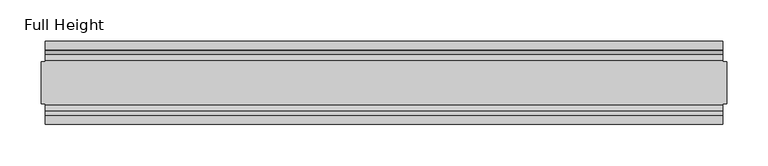
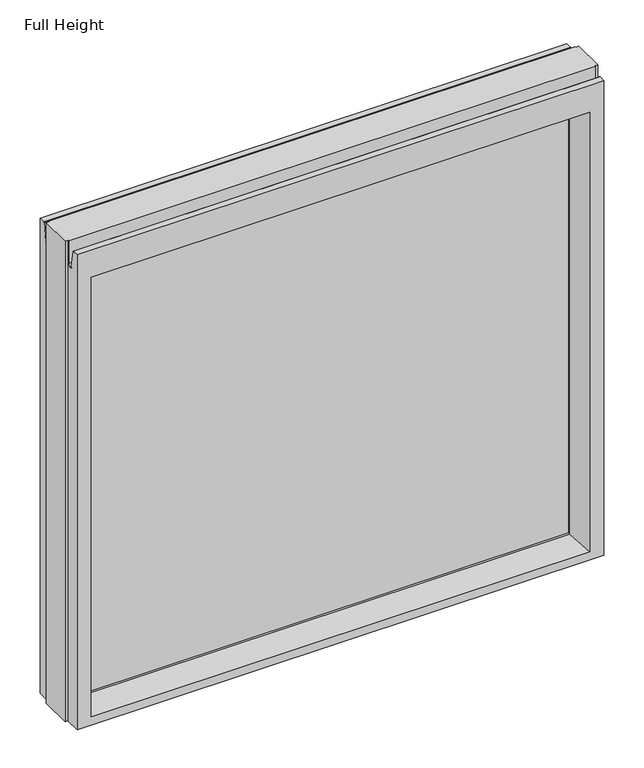
"""IFC4 building model written with IfcOpenShell, lengths in millimetres: plate geometry, Full Height."""

from ifc_helpers import new_model, si_unit, frame, origin, place, context, project, spatial, polyline, circle_curve, outline, extrude, source, transform, mapped, element, save
from ifc_brep_helpers import plane_surface, cylinder_surface, revolved_surface, advanced_brep


def full_height_0f34fd0c(model_context):
    return source(origin(), model_context, "Body", "SolidModel", [
        advanced_brep(
        [(409.4987433, -50.0, 0.0), (-409.4987433, -50.0, 0.0), (-409.4987433, -25.146, 0.0), (-414.0707433, -25.146, 0.0), (-414.0707433, 25.146, 0.0), (-409.4987433, 25.146, 0.0), (-409.4987433, 50.0, 0.0), (409.4987433, 50.0, 0.0), (409.4987433, 25.146, 0.0), (414.0707433, 25.146, 0.0), (414.0707433, -25.146, 0.0), (409.4987433, -25.146, 0.0), (414.0707433, -25.146, 789.94), (414.0707433, 25.146, 789.94), (409.4987433, 25.146, 789.94), (409.4987433, 26.67, 789.94), (-409.4987433, 26.67, 789.94), (-409.4987433, 25.146, 789.94), (-414.0707433, 25.146, 789.94), (-414.0707433, -25.146, 789.94), (-409.4987433, -25.146, 789.94), (-409.4987433, -26.67, 789.94), (409.4987433, -26.67, 789.94), (409.4987433, -25.146, 789.94), (-409.4987433, -26.67, 752.729), (409.4987433, -26.67, 752.729), (-409.4987433, 26.67, 752.729), (-409.4987433, 34.2321175, 752.0674004), (-409.4987433, 39.1867152, 780.1663199), (-409.4987433, 39.9371387, 780.796), (-409.4987433, 50.0, 780.796), (-409.4987433, -50.0, 780.796), (-409.4987433, -39.9371387, 780.796), (-409.4987433, -39.1867152, 780.1663199), (-409.4987433, -34.2321175, 752.0674004), (409.4987433, 50.0, 780.796), (-387.4007433, 50.0, 736.219), (-387.4007433, 50.0, 13.9954), (387.4007433, 50.0, 13.9954), (387.4007433, 50.0, 736.219), (409.4987433, -50.0, 780.796), (-387.4007433, -50.0, 13.9954), (-387.4007433, -50.0, 736.219), (387.4007433, -50.0, 736.219), (387.4007433, -50.0, 13.9954), (-381.4317433, 6.1006519, 730.25), (-381.4317433, 6.1006519, 18.3896), (-381.4317433, -6.1006519, 18.3896), (-381.4317433, -6.1006519, 730.25), (381.4317433, -6.1006519, 730.25), (381.4317433, -6.1006519, 18.3896), (381.4317433, 6.1006519, 730.25), (381.4317433, 6.1006519, 18.3896), (409.4987433, -34.2321175, 752.0674004), (409.4987433, -39.1867152, 780.1663199), (409.4987433, -39.9371387, 780.796), (409.4987433, 39.9371387, 780.796), (409.4987433, 39.1867152, 780.1663199), (409.4987433, 34.2321175, 752.0674004), (409.4987433, 26.67, 752.729)],
        [
            (0, 1),
            (1, 2),
            (2, 3),
            (3, 4),
            (4, 5),
            (5, 6),
            (6, 7),
            (7, 8),
            (8, 9),
            (9, 10),
            (10, 11),
            (11, 0),
            (12, 13),
            (13, 14),
            (14, 15),
            (15, 16),
            (16, 17),
            (17, 18),
            (18, 19),
            (19, 20),
            (20, 21),
            (21, 22),
            (22, 23),
            (23, 12),
            (10, 12),
            (23, 11),
            (13, 9),
            (8, 14),
            (18, 4),
            (3, 19),
            (17, 5),
            (2, 20),
            (24, 25),
            (25, 22),
            (21, 24),
            (16, 26),
            (26, 27, circle_curve(frame((-409.4987433, 30.48, 752.729), z_axis=(1.0, 0.0, 0.0), x_axis=(0.0, 1.0, 0.0)), 3.81)),
            (27, 28),
            (28, 29, circle_curve(frame((-409.4987433, 39.9371387, 780.034), z_axis=(-1.0, 0.0, 0.0), x_axis=(0.0, 1.0, 0.0)), 0.762)),
            (29, 30),
            (30, 6),
            (1, 31),
            (31, 32),
            (32, 33, circle_curve(frame((-409.4987433, -39.9371387, 780.034), z_axis=(-1.0, 0.0, 0.0), x_axis=(0.0, 1.0, 0.0)), 0.762)),
            (33, 34),
            (34, 24, circle_curve(frame((-409.4987433, -30.48, 752.729), z_axis=(1.0, 0.0, 0.0), x_axis=(0.0, 1.0, 0.0)), 3.81)),
            (30, 35),
            (35, 7),
            (36, 37),
            (37, 38),
            (38, 39),
            (39, 36),
            (0, 40),
            (40, 31),
            (41, 42),
            (42, 43),
            (43, 44),
            (44, 41),
            (36, 45),
            (45, 46),
            (46, 37),
            (41, 47),
            (47, 48),
            (48, 42),
            (43, 49),
            (49, 50),
            (50, 44),
            (51, 39),
            (38, 52),
            (52, 51),
            (25, 53, circle_curve(frame((409.4987433, -30.48, 752.729), z_axis=(-1.0, 0.0, 0.0), x_axis=(0.0, 1.0, 0.0)), 3.81)),
            (53, 54),
            (54, 55, circle_curve(frame((409.4987433, -39.9371387, 780.034), z_axis=(1.0, 0.0, 0.0), x_axis=(0.0, 1.0, 0.0)), 0.762)),
            (55, 40),
            (35, 56),
            (56, 57, circle_curve(frame((409.4987433, 39.9371387, 780.034), z_axis=(1.0, 0.0, 0.0), x_axis=(0.0, 1.0, 0.0)), 0.762)),
            (57, 58),
            (58, 59, circle_curve(frame((409.4987433, 30.48, 752.729), z_axis=(-1.0, 0.0, 0.0), x_axis=(0.0, 1.0, 0.0)), 3.81)),
            (59, 15),
            (55, 32),
            (29, 56),
            (59, 26),
            (51, 45),
            (33, 54),
            (53, 34),
            (28, 57),
            (27, 58),
            (46, 52),
            (50, 47),
            (48, 49),
            (51, 49),
            (48, 45),
            (46, 47),
            (50, 52),
        ],
        [
            plane_surface(frame((-409.4987433, 50.0, 0.0), z_axis=(0.0, 0.0, -1.0), x_axis=(0.0, -1.0, 0.0))),
            plane_surface(frame((409.4987433, -25.146, 789.94), z_axis=(0.0, 0.0, 1.0), x_axis=(-1.0, 0.0, 0.0))),
            plane_surface(frame((414.0707433, -25.146, 789.94), z_axis=(0.0, -1.0, 0.0), x_axis=(0.0, 0.0, -1.0))),
            plane_surface(frame((409.4987433, 25.146, 789.94), z_axis=(0.0, 1.0, 0.0), x_axis=(0.0, 0.0, -1.0))),
            plane_surface(frame((414.0707433, 25.146, 789.94), z_axis=(1.0, 0.0, 0.0), x_axis=(0.0, 0.0, -1.0))),
            plane_surface(frame((-414.0707433, -25.146, 789.94), z_axis=(-1.0, 0.0, 0.0), x_axis=(0.0, 0.0, -1.0))),
            plane_surface(frame((-414.0707433, 25.146, 789.94), z_axis=(0.0, 1.0, 0.0), x_axis=(0.0, 0.0, -1.0))),
            plane_surface(frame((-409.4987433, -25.146, 789.94), z_axis=(0.0, -1.0, 0.0), x_axis=(0.0, 0.0, -1.0))),
            plane_surface(frame((-409.4987433, -26.67, 789.94), z_axis=(0.0, -1.0, 0.0), x_axis=(1.0, 0.0, 0.0))),
            plane_surface(frame((-409.4987433, -50.0, 748.0046), z_axis=(-1.0, 0.0, 0.0), x_axis=(0.0, 0.0, -1.0))),
            plane_surface(frame((-409.4987433, 50.0, 748.0046), z_axis=(0.0, 1.0, 0.0), x_axis=(0.0, 0.0, -1.0))),
            plane_surface(frame((-387.4007433, -50.0, 748.0046), z_axis=(0.0, -1.0, 0.0), x_axis=(0.0, 0.0, -1.0))),
            plane_surface(frame((-387.4007433, 50.0, 748.0046), z_axis=(0.990882294353361, 0.13473039277393772, 0.0), x_axis=(0.0, 0.0, -1.0))),
            plane_surface(frame((-381.4317433, -6.1006519, 748.0046), z_axis=(0.990882294353361, -0.13473039277393709, 0.0), x_axis=(0.0, 0.0, -1.0))),
            plane_surface(frame((387.4007433, -50.0, 748.0046), z_axis=(-0.9908822943533626, -0.134730392773925, 0.0), x_axis=(0.0, 0.0, -1.0))),
            plane_surface(frame((381.4317433, 6.1006519, 748.0046), z_axis=(-0.9908822943533585, 0.13473039277395565, 0.0), x_axis=(0.0, 0.0, -1.0))),
            plane_surface(frame((409.4987433, 50.0, 748.0046), z_axis=(1.0, 0.0, 0.0), x_axis=(0.0, 0.0, -1.0))),
            plane_surface(frame((-409.4987433, -39.9371387, 780.796), z_axis=(0.0, 0.0, 1.0), x_axis=(1.0, 0.0, 0.0))),
            plane_surface(frame((-409.4987433, 50.0, 780.796), z_axis=(0.0, 0.0, 1.0), x_axis=(1.0, 0.0, 0.0))),
            plane_surface(frame((-409.4987433, 26.67, 752.729), z_axis=(0.0, 1.0, 0.0), x_axis=(1.0, 0.0, 0.0))),
            plane_surface(frame((-409.4987433, 6.1006519, 730.25), z_axis=(0.0, 0.13473039277393184, -0.9908822943533617), x_axis=(1.0, 0.0, 0.0))),
            plane_surface(frame((-409.4987433, -34.2321175, 752.0674004), z_axis=(0.0, 0.9848077530122084, 0.17364817766692892), x_axis=(1.0, 0.0, 0.0))),
            revolved_surface(polyline([(409.4987433, -26.67, 752.729), (-409.4987433, -26.67, 752.729)]), (409.4987433, -30.48, 752.729), (1.0, 0.0, 0.0)),
            cylinder_surface(frame((409.4987433, -39.9371387, 780.034), z_axis=(-1.0, 0.0, 0.0), x_axis=(0.0, 1.0, 0.0)), 0.762),
            cylinder_surface(frame((409.4987433, 39.9371387, 780.034), z_axis=(-1.0, 0.0, 0.0), x_axis=(0.0, 1.0, 0.0)), 0.762),
            plane_surface(frame((-409.4987433, 39.1867152, 780.1663199), z_axis=(0.0, -0.9848077530122005, 0.1736481776669738), x_axis=(1.0, 0.0, 0.0))),
            revolved_surface(polyline([(409.4987433, 34.29, 752.729), (-409.4987433, 34.29, 752.729)]), (409.4987433, 30.48, 752.729), (1.0, 0.0, 0.0)),
            plane_surface(frame((-409.4987433, 50.0, 13.9954), z_axis=(0.0, 0.09959943661133767, 0.9950276138010965), x_axis=(1.0, 0.0, 0.0))),
            plane_surface(frame((-409.4987433, -6.1006519, 18.3896), z_axis=(0.0, -0.0995994366113773, 0.9950276138010926), x_axis=(1.0, 0.0, 0.0))),
            plane_surface(frame((-409.4987433, -50.0, 736.219), z_axis=(0.0, -0.13473039277391685, -0.9908822943533637), x_axis=(1.0, 0.0, 0.0))),
            plane_surface(frame((-409.4987433, -6.1006519, 730.25), z_axis=(0.0, 0.0, -1.0), x_axis=(1.0, 0.0, 0.0))),
            plane_surface(frame((-409.4987433, 6.1006519, 18.3896), z_axis=(0.0, 0.0, 1.0), x_axis=(1.0, 0.0, 0.0))),
            plane_surface(frame((-381.4317433, 6.1006519, 748.0046), z_axis=(1.0, 0.0, 0.0), x_axis=(0.0, 0.0, -1.0))),
            plane_surface(frame((381.4317433, -6.1006519, 748.0046), z_axis=(-1.0, 0.0, 0.0), x_axis=(0.0, 0.0, -1.0))),
        ],
        [
            (0, [[1, 2, 3, 4, 5, 6, 7, 8, 9, 10, 11, 12]]),
            (1, [[13, 14, 15, 16, 17, 18, 19, 20, 21, 22, 23, 24]]),
            (2, [[-11, 25, -24, 26]]),
            (3, [[27, -9, 28, -14]]),
            (4, [[-25, -10, -27, -13]]),
            (5, [[29, -4, 30, -19]]),
            (6, [[-5, -29, -18, 31]]),
            (7, [[-30, -3, 32, -20]]),
            (8, [[33, 34, -22, 35]]),
            (9, [[-31, -17, 36, 37, 38, 39, 40, 41, -6]]),
            (9, [[42, 43, 44, 45, 46, -35, -21, -32, -2]]),
            (10, [[47, 48, -7, -41], [49, 50, 51, 52]]),
            (11, [[53, 54, -42, -1], [55, 56, 57, 58]]),
            (12, [[59, 60, 61, -49]]),
            (13, [[62, 63, 64, -55]]),
            (14, [[65, 66, 67, -57]]),
            (15, [[68, -51, 69, 70]]),
            (16, [[-26, -23, -34, 71, 72, 73, 74, -53, -12]]),
            (16, [[75, 76, 77, 78, 79, -15, -28, -8, -48]]),
            (17, [[-54, -74, 80, -43]]),
            (18, [[81, -75, -47, -40]]),
            (19, [[-16, -79, 82, -36]]),
            (20, [[-68, 83, -59, -52]]),
            (21, [[84, -72, 85, -45]]),
            (22, [[-85, -71, -33, -46]]),
            (23, [[-80, -73, -84, -44]]),
            (24, [[86, -76, -81, -39]]),
            (25, [[87, -77, -86, -38]]),
            (26, [[-82, -78, -87, -37]]),
            (27, [[-61, 88, -69, -50]]),
            (28, [[-67, 89, -62, -58]]),
            (29, [[-64, 90, -65, -56]]),
            (30, [[91, -90, 92, -83]]),
            (31, [[93, -89, 94, -88]]),
            (32, [[-93, -60, -92, -63]]),
            (33, [[-94, -66, -91, -70]]),
        ],
    ),
        extrude(outline(polyline([(-381.4317433, -3.175), (-381.4317433, 3.175), (381.4317433, 3.175), (381.4317433, -3.175), (-381.4317433, -3.175)])), frame((0.0, 0.0, 18.3896), z_axis=(0.0, 0.0, 1.0), x_axis=(1.0, 0.0, 0.0)), (0.0, 0.0, 1.0), 711.8604),
    ])


if __name__ == "__main__":
    model = new_model("IFC4")
    model_context = context("Model", 3, world=origin())
    ifc_project = project(units=[si_unit("LENGTHUNIT", "METRE", prefix="MILLI")], contexts=[model_context])
    site = spatial("IfcSite", under=ifc_project)
    building = spatial("IfcBuilding", under=site)
    placement = place(None, origin())
    full_height_shape = full_height_0f34fd0c(model_context)
    element("IfcPlate", 1, ObjectType="Full Height", at=placement, inside=building, context=model_context, shape_type="MappedRepresentation", body=[
        mapped(full_height_shape, transform((0.0, 0.0, 0.0), x_axis=(1.0, 0.0, 0.0), y_axis=(0.0, 1.0, 0.0), z_axis=(0.0, 0.0, 1.0))),
    ])
    save(model, "model.ifc")
